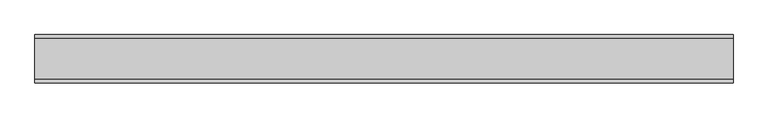
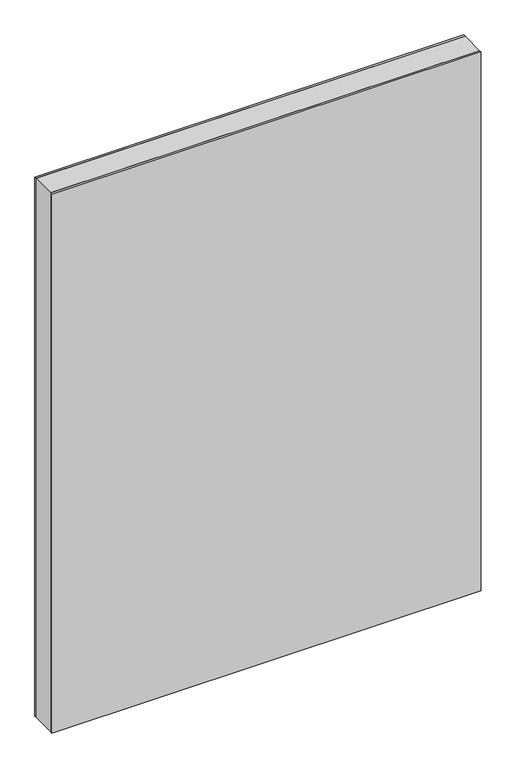
"""IFC4 building model written with IfcOpenShell, lengths in millimetres: plate geometry."""

from ifc_helpers import new_model, si_unit, frame, origin, origin_with_axes, place, context, project, spatial, polyline, outline, extrude, source, transform, mapped, element, save


def plate_504aba96(model_context):
    return source(origin(), model_context, "Body", "SweptSolid", [
        extrude(outline(polyline([(1432.75, -539.6875001), (0.0, -539.6875001), (0.0, 539.6875001), (1432.75, 539.6875001), (1432.75, -539.6875001)]), holes=[polyline([(1431.75, -538.6875001), (1431.75, 538.6875001), (1.0, 538.6875001), (1.0, -538.6875001), (1431.75, -538.6875001)])]), frame((0.0, -31.2, 0.0), z_axis=(0.0, 1.0, 0.0), x_axis=(0.0, 0.0, 1.0)), (0.0, 0.0, 1.0), 62.4),
        extrude(outline(polyline([(539.6875001, 31.2), (-539.6875001, 31.2), (-539.6875001, 37.2), (539.6875001, 37.2), (539.6875001, 31.2)])), origin_with_axes(), (0.0, 0.0, 1.0), 1432.75),
        extrude(outline(polyline([(-539.6875001, -37.2), (-539.6875001, -31.2), (539.6875001, -31.2), (539.6875001, -37.2), (-539.6875001, -37.2)])), origin_with_axes(), (0.0, 0.0, 1.0), 1432.75),
    ])


if __name__ == "__main__":
    model = new_model("IFC4")
    model_context = context("Model", 3, world=origin())
    ifc_project = project(units=[si_unit("LENGTHUNIT", "METRE", prefix="MILLI")], contexts=[model_context])
    site = spatial("IfcSite", under=ifc_project)
    building = spatial("IfcBuilding", under=site)
    placement = place(None, origin())
    plate_shape = plate_504aba96(model_context)
    element("IfcPlate", 1, at=placement, inside=building, context=model_context, shape_type="MappedRepresentation", body=[
        mapped(plate_shape, transform((0.0, 0.0, 0.0), x_axis=(1.0, 0.0, 0.0), y_axis=(0.0, 1.0, 0.0), z_axis=(0.0, 0.0, 1.0))),
    ])
    save(model, "model.ifc")
